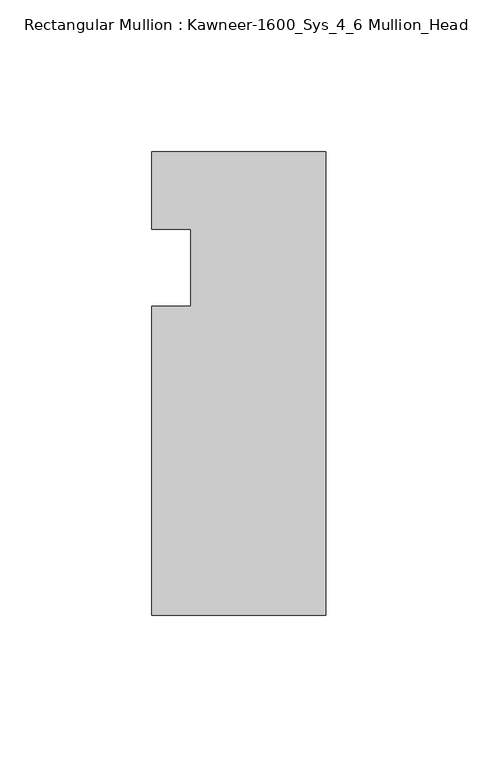
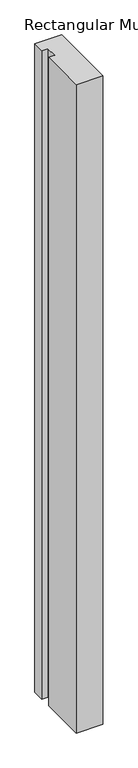
"""IFC4 building model written with IfcOpenShell, lengths in millimetres: member geometry, Rectangular Mullion : Kawneer-1600_Sys_4_6 Mullion_Head."""

from ifc_helpers import new_model, si_unit, frame, origin, place, context, project, spatial, polyline, outline, extrude, source, transform, mapped, element, save


def rectangular_mullion_kawneer_1600_sys_4_6_mullion_head_5994b17c(model_context):
    return source(origin(), model_context, "Body", "SweptSolid", [
        extrude(outline(polyline([(-57.15, -114.3), (-57.15, -12.7), (-44.4482296, -12.7), (-44.4482296, 12.7), (-57.15, 12.7), (-57.15, 38.1), (0.0, 38.1), (0.0, -114.3), (-57.15, -114.3)])), frame((0.0, 0.0, -1466.85), z_axis=(0.0, 0.0, 1.0), x_axis=(1.0, 0.0, 0.0)), (0.0, 0.0, 1.0), 1466.85),
    ])


if __name__ == "__main__":
    model = new_model("IFC4")
    model_context = context("Model", 3, world=origin())
    ifc_project = project(units=[si_unit("LENGTHUNIT", "METRE", prefix="MILLI")], contexts=[model_context])
    site = spatial("IfcSite", under=ifc_project)
    building = spatial("IfcBuilding", under=site)
    placement = place(None, origin())
    rectangular_mullion_kawneer_1600_sys_4_6_mullion_head_shape = rectangular_mullion_kawneer_1600_sys_4_6_mullion_head_5994b17c(model_context)
    element("IfcMember", 1, ObjectType="Rectangular Mullion : Kawneer-1600_Sys_4_6 Mullion_Head", at=placement, inside=building, context=model_context, shape_type="MappedRepresentation", body=[
        mapped(rectangular_mullion_kawneer_1600_sys_4_6_mullion_head_shape, transform((0.0, 0.0, 0.0), x_axis=(1.0, 0.0, 0.0), y_axis=(0.0, 1.0, 0.0), z_axis=(0.0, 0.0, 1.0))),
    ])
    save(model, "model.ifc")
